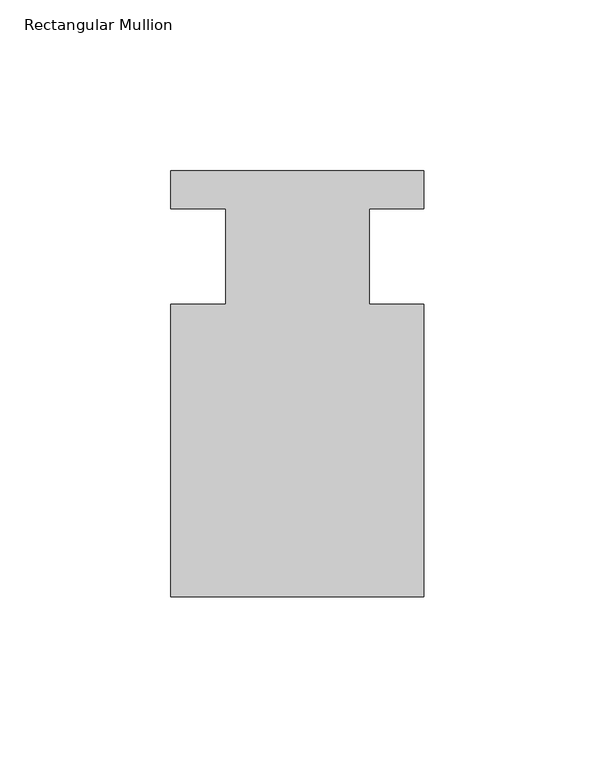
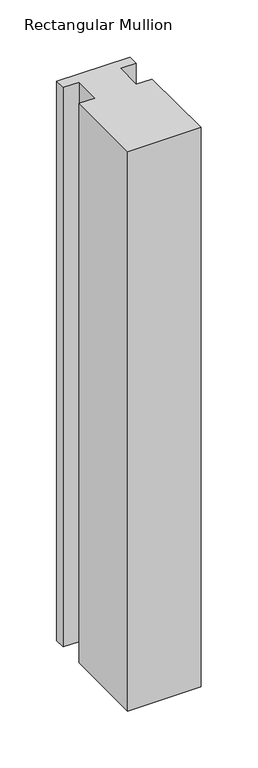
"""IFC4 building model written with IfcOpenShell, lengths in millimetres: member geometry, Rectangular Mullion."""

from ifc_helpers import new_model, si_unit, frame, origin, place, context, project, spatial, polyline, outline, extrude, source, transform, mapped, element, save


def rectangular_mullion_62d9c913(model_context):
    return source(origin(), model_context, "Body", "SweptSolid", [
        extrude(outline(polyline([(-20.9800745, -13.9998907), (-20.9800745, 14.0), (-37.0, 14.0), (-37.0, 25.0), (36.9800745, 25.0), (36.9800745, 14.0), (20.9800745, 14.0), (20.9800745, -13.9998907), (37.0, -13.9998907), (37.0, -99.5), (-37.0, -99.5), (-37.0, -13.9998907), (-20.9800745, -13.9998907)])), frame((0.0, 0.0, -599.0000104), z_axis=(0.0, 0.0, 1.0), x_axis=(1.0, 0.0, 0.0)), (0.0, 0.0, 1.0), 599.0000104),
    ])


if __name__ == "__main__":
    model = new_model("IFC4")
    model_context = context("Model", 3, world=origin())
    ifc_project = project(units=[si_unit("LENGTHUNIT", "METRE", prefix="MILLI")], contexts=[model_context])
    site = spatial("IfcSite", under=ifc_project)
    building = spatial("IfcBuilding", under=site)
    placement = place(None, origin())
    rectangular_mullion_shape = rectangular_mullion_62d9c913(model_context)
    element("IfcMember", 1, ObjectType="Rectangular Mullion", at=placement, inside=building, context=model_context, shape_type="MappedRepresentation", body=[
        mapped(rectangular_mullion_shape, transform((0.0, 0.0, 0.0), x_axis=(1.0, 0.0, 0.0), y_axis=(0.0, 1.0, 0.0), z_axis=(0.0, 0.0, 1.0))),
    ])
    save(model, "model.ifc")
